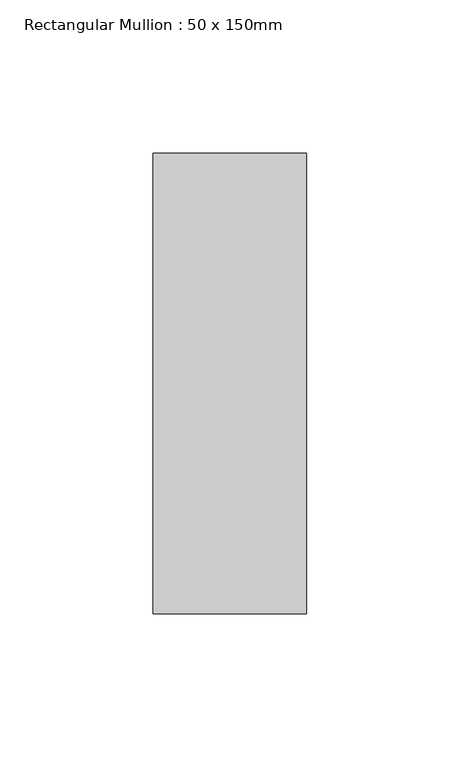
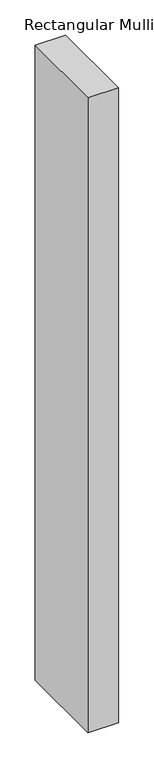
"""IFC4 building model written with IfcOpenShell, lengths in millimetres: member geometry, Rectangular Mullion : 50 x 150mm."""

from ifc_helpers import new_model, si_unit, frame, origin, place, context, project, spatial, polyline, outline, extrude, source, transform, mapped, element, save


def rectangular_mullion_50_x_150mm_e91ae26b(model_context):
    return source(origin(), model_context, "Body", "SweptSolid", [
        extrude(outline(polyline([(25.0, 75.0), (25.0, -75.0), (-25.0, -75.0), (-25.0, 75.0), (25.0, 75.0)])), frame((0.0, 0.0, -1098.3333333), z_axis=(0.0, 0.0, 1.0), x_axis=(1.0, 0.0, 0.0)), (0.0, 0.0, 1.0), 1098.3333333),
    ])


if __name__ == "__main__":
    model = new_model("IFC4")
    model_context = context("Model", 3, world=origin())
    ifc_project = project(units=[si_unit("LENGTHUNIT", "METRE", prefix="MILLI")], contexts=[model_context])
    site = spatial("IfcSite", under=ifc_project)
    building = spatial("IfcBuilding", under=site)
    placement = place(None, origin())
    rectangular_mullion_50_x_150mm_shape = rectangular_mullion_50_x_150mm_e91ae26b(model_context)
    element("IfcMember", 1, ObjectType="Rectangular Mullion : 50 x 150mm", at=placement, inside=building, context=model_context, shape_type="MappedRepresentation", body=[
        mapped(rectangular_mullion_50_x_150mm_shape, transform((0.0, 0.0, 0.0), x_axis=(1.0, 0.0, 0.0), y_axis=(0.0, 1.0, 0.0), z_axis=(0.0, 0.0, 1.0))),
    ])
    save(model, "model.ifc")
